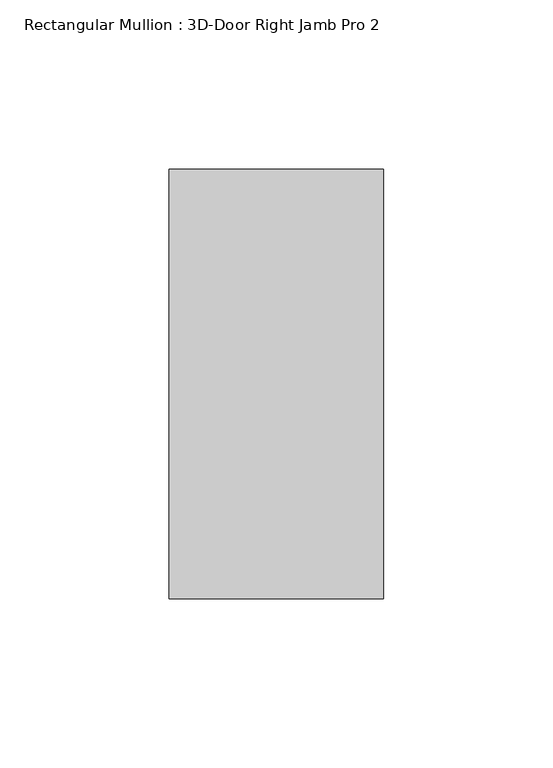
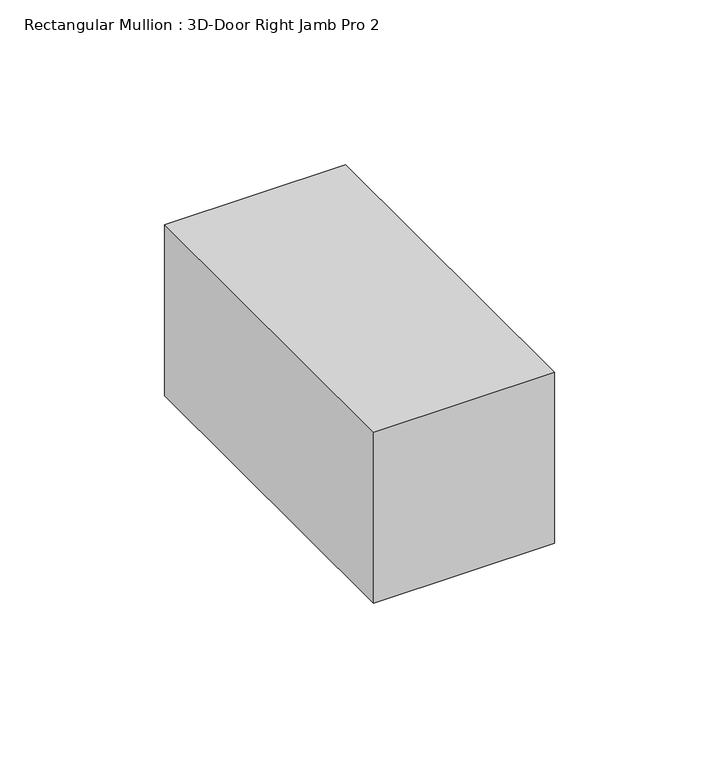
"""IFC4 building model written with IfcOpenShell, lengths in millimetres: member geometry, Rectangular Mullion : 3D-Door Right Jamb Pro 2."""

import ifcopenshell
import ifcopenshell.guid

model = None  # the IFC model being written
_history = None  # IfcOwnerHistory: only IFC2X3 demands one
_inside = {}  # id of a spatial element -> (the spatial element, [elements in it])
_under = {}  # id of a project, library or spatial element -> (it, [spatial elements below it])
_declared = {}  # id of a project -> (the project, [libraries it declares])
_typed = {}  # id of a type object -> (the type object, [elements of that type])
_made_of = {}  # id of a material, layer set ... -> (it, [elements and type objects made of it])


def new_model(schema):
    """Start an empty IFC model of exactly this schema.

    Asked for "IFC4X3", IfcOpenShell would pick the latest addendum, in which some entities
    have other attributes; the version numbers below select the first issue.
    IFC2X3 requires an IfcOwnerHistory on every rooted entity: one is made here for all.
    """
    global model, _history
    if schema == "IFC4X3":
        model = ifcopenshell.file(schema_version=(4, 3, 0, 0))
    else:
        model = ifcopenshell.file(schema=schema)
    _inside.clear()
    _under.clear()
    _declared.clear()
    _typed.clear()
    _made_of.clear()
    _history = None
    if model.schema == "IFC2X3":
        org = make("IfcOrganization", Name="unknown")
        user = make(
            "IfcPersonAndOrganization",
            ThePerson=make("IfcPerson", FamilyName="unknown"),
            TheOrganization=org,
        )
        app = make(
            "IfcApplication",
            ApplicationDeveloper=org,
            Version="unknown",
            ApplicationFullName="unknown",
            ApplicationIdentifier="unknown",
        )
        _history = make(
            "IfcOwnerHistory",
            OwningUser=user,
            OwningApplication=app,
            ChangeAction="ADDED",
            CreationDate=0,
        )
    return model


def make(cls, **values):
    """One entity of the class cls with the attributes given. An attribute that is None is left unset."""
    return model.create_entity(
        cls, **{name: value for name, value in values.items() if value is not None}
    )


def rooted(cls, **values):
    """An entity with a GlobalId (a new one), such as an element, a storey or a relation."""
    return make(cls, GlobalId=ifcopenshell.guid.new(), OwnerHistory=_history, **values)


def si_unit(unit_type, name, prefix=None):
    """IfcSIUnit, for example si_unit("LENGTHUNIT", "METRE", prefix="MILLI")."""
    return make("IfcSIUnit", UnitType=unit_type, Prefix=prefix, Name=name)


def assignment(units):
    """IfcUnitAssignment: the units of a project."""
    return None if units is None else make("IfcUnitAssignment", Units=units)


def point(xyz):
    """IfcCartesianPoint."""
    return None if xyz is None else make("IfcCartesianPoint", Coordinates=xyz)


def direction(xyz):
    """IfcDirection."""
    return None if xyz is None else make("IfcDirection", DirectionRatios=xyz)


def frame(location, z_axis=None, x_axis=None):
    """IfcAxis2Placement3D, a coordinate frame: its origin and axes. An axis left out is left unset."""
    return make(
        "IfcAxis2Placement3D",
        Location=point(location),
        Axis=direction(z_axis),
        RefDirection=direction(x_axis),
    )


def origin():
    """The frame at (0, 0, 0) with its axes left unset."""
    return frame((0.0, 0.0, 0.0))


def place(relative_to, where):
    """IfcLocalPlacement: puts the frame where relative to a parent placement (None: the world)."""
    return make(
        "IfcLocalPlacement", PlacementRelTo=relative_to, RelativePlacement=where
    )


def context(
    kind, dimensions, precision=None, world=None, true_north=None, identifier=None
):
    """IfcGeometricRepresentationContext, for example the 3D "Model" context."""
    return make(
        "IfcGeometricRepresentationContext",
        ContextIdentifier=identifier,
        ContextType=kind,
        CoordinateSpaceDimension=dimensions,
        Precision=precision,
        WorldCoordinateSystem=world,
        TrueNorth=true_north,
    )


def project(units=None, contexts=None):
    """IfcProject with its units and contexts."""
    return rooted(
        "IfcProject",
        Name="project",
        RepresentationContexts=contexts,
        UnitsInContext=assignment(units),
    )


def spatial(cls, under=None, at=None, **own):
    """A site, building, storey or space (cls), placed at a placement, below another one or the project."""
    s = rooted(cls, ObjectPlacement=at, **own)
    if under is not None:
        _under.setdefault(under.id(), (under, []))[1].append(s)
    return s


def polyline(points):
    """IfcPolyline through the points."""
    return make("IfcPolyline", Points=[point(p) for p in points])


def outline(outer, holes=None, kind="AREA"):
    """IfcArbitraryClosedProfileDef: a profile drawn as a closed curve; with holes, ...WithVoids."""
    if holes is None:
        return make("IfcArbitraryClosedProfileDef", ProfileType=kind, OuterCurve=outer)
    return make(
        "IfcArbitraryProfileDefWithVoids",
        ProfileType=kind,
        OuterCurve=outer,
        InnerCurves=holes,
    )


def extrude(swept, where, along, depth):
    """IfcExtrudedAreaSolid: the profile swept, set in the frame where, extruded along a direction by depth."""
    return make(
        "IfcExtrudedAreaSolid",
        SweptArea=swept,
        Position=where,
        ExtrudedDirection=direction(along),
        Depth=depth,
    )


def shape(context_of_items, identifier, shape_type, items):
    """IfcShapeRepresentation: the items that make up one representation, for example the "Body"."""
    return make(
        "IfcShapeRepresentation",
        ContextOfItems=context_of_items,
        RepresentationIdentifier=identifier,
        RepresentationType=shape_type,
        Items=items,
    )


def source(mapping_origin, context_of_items, identifier, shape_type, items):
    """IfcRepresentationMap: a shape defined once, which mapped items show again and again."""
    return make(
        "IfcRepresentationMap",
        MappingOrigin=mapping_origin,
        MappedRepresentation=shape(context_of_items, identifier, shape_type, items),
    )


def transform(
    local_origin,
    x_axis=None,
    y_axis=None,
    z_axis=None,
    scale=None,
    scale2=None,
    scale3=None,
    uniform=True,
):
    """IfcCartesianTransformationOperator3D, or its non-uniform kind. x_axis, y_axis, z_axis: its Axis1, 2, 3."""
    if uniform:
        return make(
            "IfcCartesianTransformationOperator3D",
            Axis1=direction(x_axis),
            Axis2=direction(y_axis),
            LocalOrigin=point(local_origin),
            Scale=scale,
            Axis3=direction(z_axis),
        )
    return make(
        "IfcCartesianTransformationOperator3DnonUniform",
        Axis1=direction(x_axis),
        Axis2=direction(y_axis),
        LocalOrigin=point(local_origin),
        Scale=scale,
        Axis3=direction(z_axis),
        Scale2=scale2,
        Scale3=scale3,
    )


def mapped(mapping_source, mapping_target):
    """IfcMappedItem: shows the shape of a source again, moved by a transform."""
    return make(
        "IfcMappedItem", MappingSource=mapping_source, MappingTarget=mapping_target
    )


def made_of(thing, what):
    """Note that an element or type object is made of a material, layer set ...; save() writes the relation."""
    if what is not None:
        _made_of.setdefault(what.id(), (what, []))[1].append(thing)
    return thing


def element(
    cls,
    number,
    at=None,
    inside=None,
    cuts=None,
    type_object=None,
    material=None,
    context=None,
    identifier="Body",
    shape_type=None,
    held_by="IfcProductDefinitionShape",
    body=None,
    shapes=None,
    **own,
):
    """One element of the class cls, such as IfcWall. Its Tag is "e" and its number.

    at: its placement. inside: the storey or other place that contains it. cuts: it is an
    opening in that element (IfcRelVoidsElement). A single representation is given by context,
    identifier, shape_type and body (its items); several are given by shapes. held_by: the class
    of the entity that holds the representations. save() writes the other relations.
    """
    e = rooted(cls, Tag="e%d" % number, ObjectPlacement=at, **own)
    if body is not None:
        shapes = [shape(context, identifier, shape_type, body)]
    if shapes is not None:
        e.Representation = make(held_by, Representations=shapes)
    if inside is not None:
        _inside.setdefault(inside.id(), (inside, []))[1].append(e)
    if cuts is not None:
        rooted(
            "IfcRelVoidsElement", RelatingBuildingElement=cuts, RelatedOpeningElement=e
        )
    if type_object is not None:
        _typed.setdefault(type_object.id(), (type_object, []))[1].append(e)
    return made_of(e, material)


def aggregate(whole, parts):
    """IfcRelAggregates: a whole, such as a stair, and the parts it consists of."""
    return rooted("IfcRelAggregates", RelatingObject=whole, RelatedObjects=parts)


def save(model, path):
    """Write the relations noted so far, then the file.

    IfcRelAggregates (storeys below a building ...), IfcRelContainedInSpatialStructure (elements
    in a storey), IfcRelDefinesByType, IfcRelAssociatesMaterial and IfcRelDeclares: one each for
    every whole, place, type object, material and project.
    """
    for whole, parts in _under.values():
        aggregate(whole, parts)
    for where, things in _inside.values():
        rooted(
            "IfcRelContainedInSpatialStructure",
            RelatedElements=things,
            RelatingStructure=where,
        )
    for kind, things in _typed.values():
        rooted("IfcRelDefinesByType", RelatedObjects=things, RelatingType=kind)
    for what, things in _made_of.values():
        rooted("IfcRelAssociatesMaterial", RelatedObjects=things, RelatingMaterial=what)
    for by, libraries in _declared.values():
        rooted("IfcRelDeclares", RelatingContext=by, RelatedDefinitions=libraries)
    model.write(path)


def rectangular_mullion_3d_door_right_jamb_pro_2_0b602912(model_context):
    return source(origin(), model_context, "Body", "SweptSolid", [
        extrude(outline(polyline([(-63.5, -63.6571461), (-63.5, 63.3428539), (0.0, 63.3428539), (0.0, -63.6571461), (-63.5, -63.6571461)])), frame((0.0, 0.0, -63.5), z_axis=(0.0, 0.0, 1.0), x_axis=(1.0, 0.0, 0.0)), (0.0, 0.0, 1.0), 63.5),
    ])


if __name__ == "__main__":
    model = new_model("IFC4")
    model_context = context("Model", 3, world=origin())
    ifc_project = project(units=[si_unit("LENGTHUNIT", "METRE", prefix="MILLI")], contexts=[model_context])
    site = spatial("IfcSite", under=ifc_project)
    building = spatial("IfcBuilding", under=site)
    placement = place(None, origin())
    rectangular_mullion_3d_door_right_jamb_pro_2_shape = rectangular_mullion_3d_door_right_jamb_pro_2_0b602912(model_context)
    element("IfcMember", 1, ObjectType="Rectangular Mullion : 3D-Door Right Jamb Pro 2", at=placement, inside=building, context=model_context, shape_type="MappedRepresentation", body=[
        mapped(rectangular_mullion_3d_door_right_jamb_pro_2_shape, transform((0.0, 0.0, 0.0), x_axis=(1.0, 0.0, 0.0), y_axis=(0.0, 1.0, 0.0), z_axis=(0.0, 0.0, 1.0))),
    ])
    save(model, "model.ifc")
